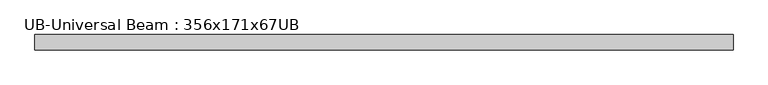
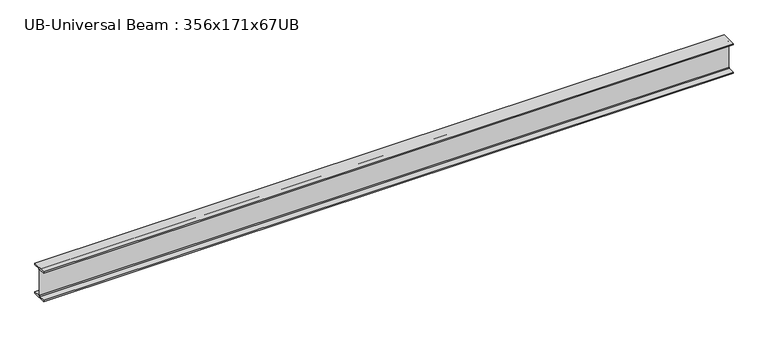
"""IFC4 building model written with IfcOpenShell, lengths in millimetres: beam geometry, UB-Universal Beam : 356x171x67UB."""

from ifc_helpers import new_model, si_unit, point, frame, frame_2d, origin, place, context, project, spatial, polyline, circle_curve, trimmed, segment, composite_curve, outline, extrude, source, transform, mapped, element, save


def ub_universal_beam_356x171x67ub_9de3d908(model_context):
    return source(origin(), model_context, "Body", "SweptSolid", [
        extrude(outline(composite_curve([segment(polyline([(86.6, -166.0), (86.6, -181.7), (-86.6, -181.7), (-86.6, -166.0), (-14.75, -166.0)]), True, "CONTINUOUS"), segment(trimmed(circle_curve(frame_2d((-14.75, -155.8)), 10.2), [point((-14.75, -166.0))], [point((-4.55, -155.8))], True, "CARTESIAN"), True, "CONTINUOUS"), segment(polyline([(-4.55, -155.8), (-4.55, 155.8)]), True, "CONTINUOUS"), segment(trimmed(circle_curve(frame_2d((-14.75, 155.8)), 10.2), [point((-4.55, 155.8))], [point((-14.75, 166.0))], True, "CARTESIAN"), True, "CONTINUOUS"), segment(polyline([(-14.75, 166.0), (-86.6, 166.0), (-86.6, 181.7), (86.6, 181.7), (86.6, 166.0), (14.75, 166.0)]), True, "CONTINUOUS"), segment(trimmed(circle_curve(frame_2d((14.75, 155.8)), 10.2), [point((14.75, 166.0))], [point((4.55, 155.8))], True, "CARTESIAN"), True, "CONTINUOUS"), segment(polyline([(4.55, 155.8), (4.55, -155.8)]), True, "CONTINUOUS"), segment(trimmed(circle_curve(frame_2d((14.75, -155.8)), 10.2), [point((4.55, -155.8))], [point((14.75, -166.0))], True, "CARTESIAN"), True, "CONTINUOUS"), segment(polyline([(14.75, -166.0), (86.6, -166.0)]), True, "CONTINUOUS")], self_intersect=False)), frame((-3966.6265267, 0.0, 0.0), z_axis=(1.0, 0.0, 0.0), x_axis=(0.0, 1.0, 0.0)), (0.0, 0.0, 1.0), 7954.3834481),
    ])


if __name__ == "__main__":
    model = new_model("IFC4")
    model_context = context("Model", 3, world=origin())
    ifc_project = project(units=[si_unit("LENGTHUNIT", "METRE", prefix="MILLI")], contexts=[model_context])
    site = spatial("IfcSite", under=ifc_project)
    building = spatial("IfcBuilding", under=site)
    placement = place(None, origin())
    ub_universal_beam_356x171x67ub_shape = ub_universal_beam_356x171x67ub_9de3d908(model_context)
    element("IfcBeam", 1, ObjectType="UB-Universal Beam : 356x171x67UB", at=placement, inside=building, context=model_context, shape_type="MappedRepresentation", body=[
        mapped(ub_universal_beam_356x171x67ub_shape, transform((0.0, 0.0, 0.0), x_axis=(1.0, 0.0, 0.0), y_axis=(0.0, 1.0, 0.0), z_axis=(0.0, 0.0, 1.0))),
    ])
    save(model, "model.ifc")
